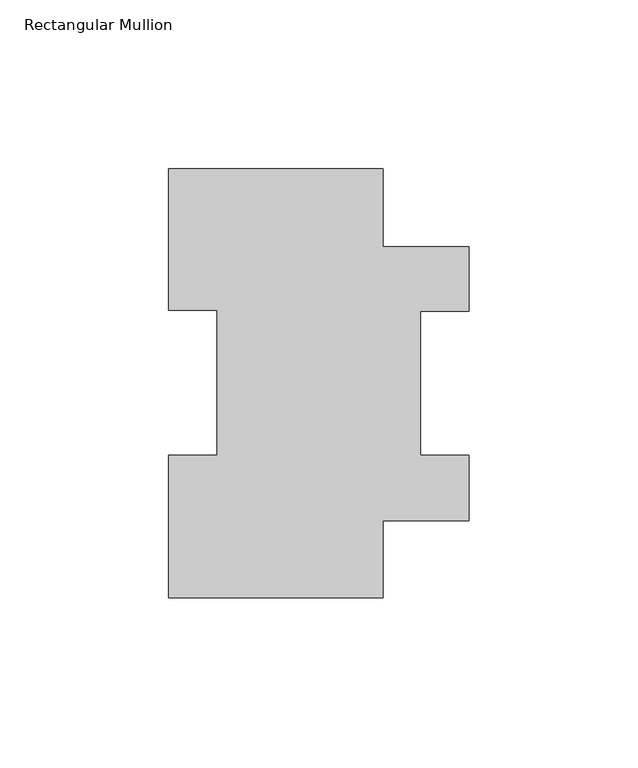
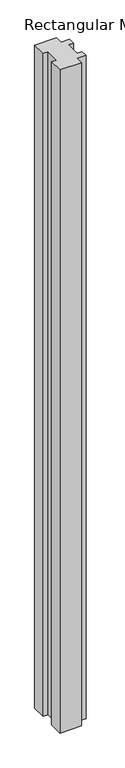
"""IFC4 building model written with IfcOpenShell, lengths in millimetres: member geometry, Rectangular Mullion."""

from ifc_helpers import new_model, si_unit, frame, origin, place, context, project, spatial, polyline, outline, extrude, source, transform, mapped, element, save


def rectangular_mullion_d6b2cea1(model_context):
    return source(origin(), model_context, "Body", "SweptSolid", [
        extrude(outline(polyline([(44.45, 103.9296055), (44.45, 84.8796055), (30.16504, 84.8796055), (30.16504, 42.2798875), (44.45, 42.2798875), (44.45, 22.7980875), (19.05, 22.7980875), (19.05, -0.0111125), (-44.45, -0.0111125), (-44.45, 42.2798875), (-30.16504, 42.2798875), (-30.16504, 85.1296875), (-44.45, 85.1296875), (-44.45, 126.9888875), (19.05, 126.9888875), (19.05, 103.9296055), (44.45, 103.9296055)])), frame((0.0, 0.0, -2044.4591858), z_axis=(0.0, 0.0, 1.0), x_axis=(1.0, 0.0, 0.0)), (0.0, 0.0, 1.0), 2044.4591858),
    ])


if __name__ == "__main__":
    model = new_model("IFC4")
    model_context = context("Model", 3, world=origin())
    ifc_project = project(units=[si_unit("LENGTHUNIT", "METRE", prefix="MILLI")], contexts=[model_context])
    site = spatial("IfcSite", under=ifc_project)
    building = spatial("IfcBuilding", under=site)
    placement = place(None, origin())
    rectangular_mullion_shape = rectangular_mullion_d6b2cea1(model_context)
    element("IfcMember", 1, ObjectType="Rectangular Mullion", at=placement, inside=building, context=model_context, shape_type="MappedRepresentation", body=[
        mapped(rectangular_mullion_shape, transform((0.0, 0.0, 0.0), x_axis=(1.0, 0.0, 0.0), y_axis=(0.0, 1.0, 0.0), z_axis=(0.0, 0.0, 1.0))),
    ])
    save(model, "model.ifc")
